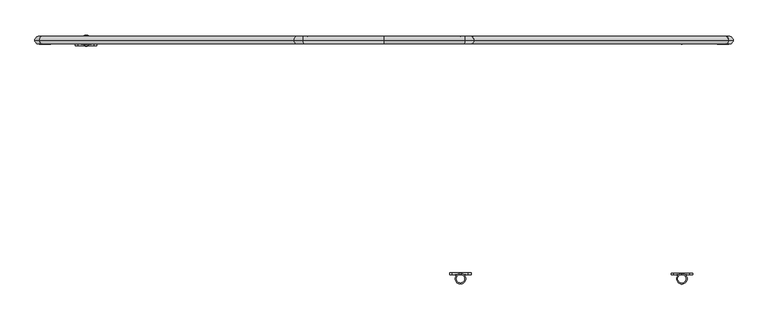
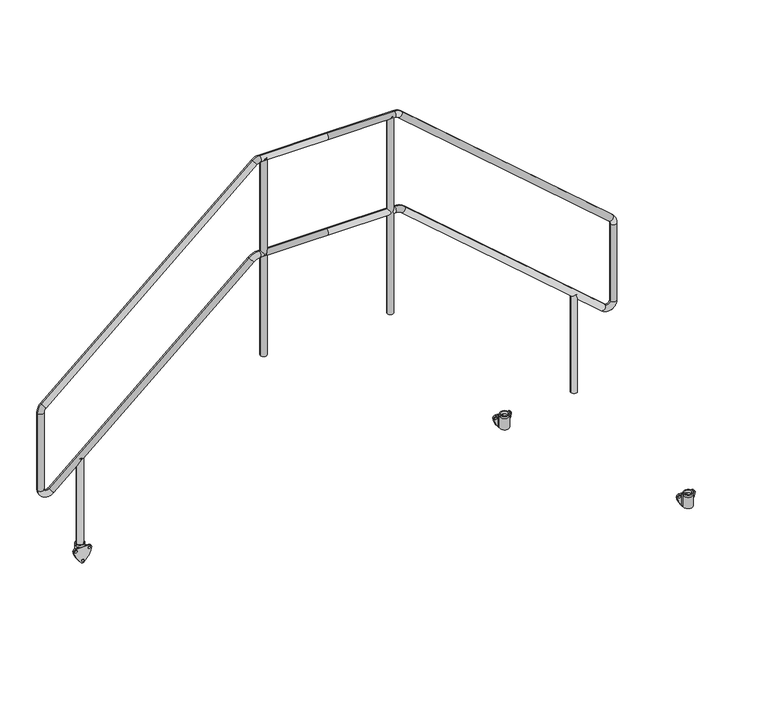
"""IFC4 building model written with IfcOpenShell, lengths in millimetres: beam geometry."""

from ifc_helpers import new_model, si_unit, point, frame, frame_2d, origin, place, context, project, spatial, polyline, circle_curve, ellipse_curve, trimmed, segment, composite_curve, outline, extrude, source, transform, mapped, element, save
from ifc_brep_helpers import plane_surface, cylinder_surface, revolved_surface, advanced_brep


def beam_a0f8f7f3(model_context):
    return source(origin(), model_context, "Body", "SolidModel", [
        advanced_brep(
        [(-1348.5, 530.5, 318.5021879), (-1301.5, 530.5, 318.5021879), (-1342.5, 530.5, 318.5021879), (-1307.5, 530.5, 318.5021879), (-1340.6843871, 513.0, 306.5021879), (-1325.0, 513.0, 306.5021879), (-1309.3156129, 513.0, 306.5021879), (-1307.5, 530.5, 306.5021879), (-1320.7257904, 513.5299932, 306.5021879), (-1325.0, 513.0, 306.5021879), (-1329.2742096, 513.5299932, 306.5021879), (-1342.5, 530.5, 306.5021879), (-1301.5, 530.5, 306.5021879), (-1348.5, 530.5, 306.5021879), (-1344.9275065, 518.0442991, 306.5021879), (-1305.0724935, 518.0442991, 306.5021879), (-1302.160166, 513.0, 306.5021879), (-1347.839834, 513.0, 306.5021879), (-1305.0724935, 518.0442991, 242.5021879), (-1302.160166, 513.0, 242.5021879), (-1347.839834, 513.0, 242.5021879), (-1344.9275065, 518.0442991, 242.5021879), (-1320.7257904, 513.5299932, 242.5021879), (-1329.2742096, 513.5299932, 242.5021879)],
        [
            (0, 1, circle_curve(frame((-1325.0, 530.5, 318.5021879), z_axis=(0.0, 0.0, 1.0), x_axis=(1.0, 0.0, 0.0)), 23.5)),
            (1, 0, circle_curve(frame((-1325.0, 530.5, 318.5021879), z_axis=(0.0, 0.0, 1.0), x_axis=(1.0, 0.0, 0.0)), 23.5)),
            (2, 3, circle_curve(frame((-1325.0, 530.5, 318.5021879), z_axis=(0.0, 0.0, -1.0), x_axis=(1.0, 0.0, 0.0)), 17.5)),
            (3, 2, circle_curve(frame((-1325.0, 530.5, 318.5021879), z_axis=(0.0, 0.0, -1.0), x_axis=(1.0, 0.0, 0.0)), 17.5)),
            (4, 5),
            (5, 6),
            (6, 4, circle_curve(frame((-1325.0, 530.5, 306.5021879), z_axis=(0.0, 0.0, -1.0), x_axis=(1.0, 0.0, 0.0)), 23.5)),
            (3, 7),
            (7, 8, circle_curve(frame((-1325.0, 530.5, 306.5021879), z_axis=(0.0, 0.0, -1.0), x_axis=(1.0, 0.0, 0.0)), 17.5)),
            (8, 9, circle_curve(frame((-1325.0, 530.5, 306.5021879), z_axis=(0.0, 0.0, -1.0), x_axis=(1.0, 0.0, 0.0)), 17.5)),
            (9, 10, circle_curve(frame((-1325.0, 530.5, 306.5021879), z_axis=(0.0, 0.0, -1.0), x_axis=(1.0, 0.0, 0.0)), 17.5)),
            (10, 11, circle_curve(frame((-1325.0, 530.5, 306.5021879), z_axis=(0.0, 0.0, -1.0), x_axis=(1.0, 0.0, 0.0)), 17.5)),
            (11, 2),
            (11, 7, circle_curve(frame((-1325.0, 530.5, 306.5021879), z_axis=(0.0, 0.0, -1.0), x_axis=(1.0, 0.0, 0.0)), 17.5)),
            (1, 12),
            (12, 13, circle_curve(frame((-1325.0, 530.5, 306.5021879), z_axis=(0.0, 0.0, 1.0), x_axis=(1.0, 0.0, 0.0)), 23.5)),
            (13, 0),
            (13, 14, circle_curve(frame((-1325.0, 530.5, 306.5021879), z_axis=(0.0, 0.0, 1.0), x_axis=(1.0, 0.0, 0.0)), 23.5)),
            (14, 4, circle_curve(frame((-1325.0, 530.5, 306.5021879), z_axis=(0.0, 0.0, 1.0), x_axis=(1.0, 0.0, 0.0)), 23.5)),
            (6, 15, circle_curve(frame((-1325.0, 530.5, 306.5021879), z_axis=(0.0, 0.0, 1.0), x_axis=(1.0, 0.0, 0.0)), 23.5)),
            (15, 12, circle_curve(frame((-1325.0, 530.5, 306.5021879), z_axis=(0.0, 0.0, 1.0), x_axis=(1.0, 0.0, 0.0)), 23.5)),
            (8, 10),
            (6, 16),
            (16, 15, circle_curve(frame((-1302.1711253, 516.3565387, 306.5021879), z_axis=(0.0, 0.0, -1.0), x_axis=(-1.0, 0.0, 0.0)), 3.3565566)),
            (17, 4),
            (14, 17, circle_curve(frame((-1347.8288747, 516.3565387, 306.5021879), z_axis=(0.0, 0.0, -1.0), x_axis=(1.0, 0.0, 0.0)), 3.3565566)),
            (18, 19, circle_curve(frame((-1302.1711253, 516.3565387, 242.5021879), z_axis=(0.0, 0.0, 1.0), x_axis=(-1.0, 0.0, 0.0)), 3.3565566)),
            (19, 20),
            (20, 21, circle_curve(frame((-1347.8288747, 516.3565387, 242.5021879), z_axis=(0.0, 0.0, 1.0), x_axis=(1.0, 0.0, 0.0)), 3.3565566)),
            (21, 18, circle_curve(frame((-1325.0, 530.5, 242.5021879), z_axis=(0.0, 0.0, -1.0), x_axis=(1.0, 0.0, 0.0)), 23.5)),
            (22, 23, circle_curve(frame((-1325.0, 530.5, 242.5021879), z_axis=(0.0, 0.0, 1.0), x_axis=(1.0, 0.0, 0.0)), 17.5)),
            (23, 22),
            (22, 8),
            (10, 23),
            (16, 19),
            (18, 15),
            (17, 20),
            (14, 21),
        ],
        [
            plane_surface(frame((-1307.5, 530.5, 318.5021879), z_axis=(0.0, 0.0, 1.0), x_axis=(0.0, 1.0, 0.0))),
            plane_surface(frame((-1307.5, 530.5, 306.5021879), z_axis=(0.0, 0.0, -1.0), x_axis=(0.0, -1.0, 0.0))),
            revolved_surface(polyline([(-1307.5, 530.5, 306.5021879), (-1307.5, 530.5, 318.5021879)]), (-1325.0, 530.5, 306.5021879), (0.0, 0.0, -1.0)),
            cylinder_surface(frame((-1325.0, 530.5, 306.5021879), z_axis=(0.0, 0.0, 1.0), x_axis=(1.0, 0.0, 0.0)), 23.5),
            plane_surface(frame((-1307.5, 530.5, 306.5021879), z_axis=(0.0, 0.0, 1.0), x_axis=(0.0, 1.0, 0.0))),
            plane_surface(frame((-1307.5, 530.5, 242.5021879), z_axis=(0.0, 0.0, -1.0), x_axis=(0.0, -1.0, 0.0))),
            revolved_surface(polyline([(-1307.5, 530.5, 242.5021879), (-1307.5, 530.5, 306.5021879)]), (-1325.0, 530.5, 242.5021879), (0.0, 0.0, -1.0)),
            plane_surface(frame((-1329.2742096, 513.5299932, 306.5021879), z_axis=(0.0, 1.0, 0.0), x_axis=(0.0, 0.0, -1.0))),
            revolved_surface(polyline([(-1305.5276819, 516.3565387, 242.5021879), (-1305.5276819, 516.3565387, 306.5021879)]), (-1302.1711253, 516.3565387, 242.5021879), (0.0, 0.0, -1.0)),
            plane_surface(frame((-1302.160166, 513.0, 306.5021879), z_axis=(0.0, -1.0, 0.0), x_axis=(0.0, 0.0, -1.0))),
            revolved_surface(polyline([(-1344.4723181, 516.3565387, 242.5021879), (-1344.4723181, 516.3565387, 306.5021879)]), (-1347.8288747, 516.3565387, 242.5021879), (0.0, 0.0, -1.0)),
            cylinder_surface(frame((-1325.0, 530.5, 242.5021879), z_axis=(0.0, 0.0, 1.0), x_axis=(1.0, 0.0, 0.0)), 23.5),
        ],
        [
            (0, [[1, 2], [3, 4]]),
            (1, [[5, 6, 7]]),
            (2, [[8, 9, 10, 11, 12, 13, -4]]),
            (2, [[-13, 14, -8, -3]]),
            (3, [[15, 16, 17, -2]]),
            (3, [[-17, 18, 19, -7, 20, 21, -15, -1]]),
            (4, [[-11, -10, 22]]),
            (4, [[-20, 23, 24]]),
            (4, [[25, -19, 26]]),
            (5, [[27, 28, 29, 30], [31, 32]]),
            (6, [[33, -9, -14, -12, 34, -31]]),
            (7, [[-33, -32, -34, -22]]),
            (8, [[35, -27, 36, -24]]),
            (9, [[-35, -23, -6, -5, -25, 37, -28]]),
            (10, [[38, -29, -37, -26]]),
            (11, [[-38, -18, -16, -21, -36, -30]]),
        ],
    ),
        extrude(outline(composite_curve([segment(trimmed(circle_curve(frame_2d((312.1021879, -1255.6)), 118.3), [point((293.8380046, -1372.4816051))], [point((221.6269174, -1331.8175533))], False, "CARTESIAN"), True, "CONTINUOUS"), segment(trimmed(circle_curve(frame_2d((231.5021879, -1325.0)), 12.0), [point((221.6269174, -1331.8175533))], [point((223.2936993, -1316.246674))], False, "CARTESIAN"), True, "CONTINUOUS"), segment(trimmed(circle_curve(frame_2d((312.1021879, -1394.4)), 118.3), [point((223.2936993, -1316.246674))], [point((293.8380046, -1277.5183949))], False, "CARTESIAN"), True, "CONTINUOUS"), segment(trimmed(circle_curve(frame_2d((294.5021879, -1289.5)), 12.0), [point((293.8380046, -1277.5183949))], [point((306.5021879, -1289.5))], False, "CARTESIAN"), True, "CONTINUOUS"), segment(polyline([(306.5021879, -1289.5), (306.5021879, -1360.5)]), True, "CONTINUOUS"), segment(trimmed(circle_curve(frame_2d((294.5021879, -1360.5)), 12.0), [point((306.5021879, -1360.5))], [point((293.8380046, -1372.4816051))], False, "CARTESIAN"), True, "CONTINUOUS")], self_intersect=False), holes=[composite_curve([segment(trimmed(circle_curve(frame_2d((231.5021879, -1325.0)), 6.0), [point((231.5021879, -1331.0))], [point((231.5021879, -1319.0))], True, "CARTESIAN"), True, "CONTINUOUS"), segment(trimmed(circle_curve(frame_2d((231.5021879, -1325.0)), 6.0), [point((231.5021879, -1319.0))], [point((231.5021879, -1331.0))], True, "CARTESIAN"), True, "CONTINUOUS")], self_intersect=False), composite_curve([segment(trimmed(circle_curve(frame_2d((294.5021879, -1360.5)), 6.0), [point((294.5021879, -1366.5))], [point((294.5021879, -1354.5))], True, "CARTESIAN"), True, "CONTINUOUS"), segment(trimmed(circle_curve(frame_2d((294.5021879, -1360.5)), 6.0), [point((294.5021879, -1354.5))], [point((294.5021879, -1366.5))], True, "CARTESIAN"), True, "CONTINUOUS")], self_intersect=False), composite_curve([segment(trimmed(circle_curve(frame_2d((294.5021879, -1289.5)), 6.0), [point((294.5021879, -1283.5))], [point((294.5021879, -1295.5))], True, "CARTESIAN"), True, "CONTINUOUS"), segment(trimmed(circle_curve(frame_2d((294.5021879, -1289.5)), 6.0), [point((294.5021879, -1295.5))], [point((294.5021879, -1283.5))], True, "CARTESIAN"), True, "CONTINUOUS")], self_intersect=False)]), frame((0.0, 505.0, 0.0), z_axis=(0.0, 1.0, 0.0), x_axis=(0.0, 0.0, 1.0)), (0.0, 0.0, 1.0), 8.0),
        extrude(outline(composite_curve([segment(trimmed(circle_curve(frame_2d((-1325.0, 530.5)), 16.8), [point((-1341.8, 530.5))], [point((-1308.2, 530.5))], False, "CARTESIAN"), True, "CONTINUOUS"), segment(trimmed(circle_curve(frame_2d((-1325.0, 530.5)), 16.8), [point((-1308.2, 530.5))], [point((-1341.8, 530.5))], False, "CARTESIAN"), True, "CONTINUOUS")], self_intersect=False)), frame((0.0, 0.0, 248.5021879), z_axis=(0.0, 0.0, 1.0), x_axis=(1.0, 0.0, 0.0)), (0.0, 0.0, 1.0), 557.0),
        extrude(outline(composite_curve([segment(trimmed(circle_curve(frame_2d((1325.0, 530.5)), 16.8), [point((1341.8, 530.5))], [point((1308.2, 530.5))], False, "CARTESIAN"), True, "CONTINUOUS"), segment(trimmed(circle_curve(frame_2d((1325.0, 530.5)), 16.8), [point((1308.2, 530.5))], [point((1341.8, 530.5))], False, "CARTESIAN"), True, "CONTINUOUS")], self_intersect=False)), frame((0.0, 0.0, 248.5021879), z_axis=(0.0, 0.0, 1.0), x_axis=(1.0, 0.0, 0.0)), (0.0, 0.0, 1.0), 557.0),
        extrude(outline(composite_curve([segment(trimmed(circle_curve(frame_2d((-340.0, 530.5)), 16.8), [point((-356.8, 530.5))], [point((-323.2, 530.5))], False, "CARTESIAN"), True, "CONTINUOUS"), segment(trimmed(circle_curve(frame_2d((-340.0, 530.5)), 16.8), [point((-323.2, 530.5))], [point((-356.8, 530.5))], False, "CARTESIAN"), True, "CONTINUOUS")], self_intersect=False)), frame((0.0, 0.0, 1040.5021879), z_axis=(0.0, 0.0, 1.0), x_axis=(1.0, 0.0, 0.0)), (0.0, 0.0, 1.0), 1120.0),
        extrude(outline(composite_curve([segment(trimmed(circle_curve(frame_2d((340.0, 530.5)), 16.8), [point((356.8, 530.5))], [point((323.2, 530.5))], False, "CARTESIAN"), True, "CONTINUOUS"), segment(trimmed(circle_curve(frame_2d((340.0, 530.5)), 16.8), [point((323.2, 530.5))], [point((356.8, 530.5))], False, "CARTESIAN"), True, "CONTINUOUS")], self_intersect=False)), frame((0.0, 0.0, 1040.5021879), z_axis=(0.0, 0.0, 1.0), x_axis=(1.0, 0.0, 0.0)), (0.0, 0.0, 1.0), 1120.0),
        advanced_brep(
        [(0.0, 530.5, 2143.9021879), (0.0, 530.5, 2177.5021879), (360.0669192, 530.5, 2177.5021879), (360.0669192, 530.5, 2143.9021879), (399.430461, 530.5, 2162.7847627), (377.3868776, 530.5, 2137.4265208), (1532.3635417, 530.5, 1177.9410607), (1510.3199584, 530.5, 1152.5828188), (1553.0, 530.5, 1132.6584859), (1519.4, 530.5, 1132.6584859), (1553.0, 530.5, 694.6614087), (1519.4, 530.5, 694.6614087), (1470.1970486, 530.5, 656.9259297), (1492.2406319, 530.5, 682.2841716), (396.6087175, 530.5, 1590.1820278), (418.6523008, 530.5, 1615.5402697), (363.805766, 530.5, 1602.4465487), (363.805766, 530.5, 1636.0465487), (0.0, 530.5, 1602.4465487), (0.0, 530.5, 1636.0465487), (-360.0669192, 530.5, 2143.9021879), (-360.0669192, 530.5, 2177.5021879), (-377.3868776, 530.5, 2137.4265208), (-399.430461, 530.5, 2162.7847627), (-1510.3199584, 530.5, 1152.5828188), (-1532.3635417, 530.5, 1177.9410607), (-1519.4, 530.5, 1132.6584859), (-1553.0, 530.5, 1132.6584859), (-1519.4, 530.5, 694.6614087), (-1553.0, 530.5, 694.6614087), (-1492.2406319, 530.5, 682.2841716), (-1470.1970486, 530.5, 656.9259297), (-418.6523008, 530.5, 1615.5402697), (-396.6087175, 530.5, 1590.1820278), (-363.805766, 530.5, 1636.0465487), (-363.805766, 530.5, 1602.4465487)],
        [
            (0, 1, circle_curve(frame((0.0, 530.5, 2160.7021879), z_axis=(1.0, 0.0, 0.0), x_axis=(0.0, 0.0, -1.0)), 16.8)),
            (1, 2),
            (2, 3, circle_curve(frame((360.0669192, 530.5, 2160.7021879), z_axis=(-1.0, 0.0, 0.0), x_axis=(0.0, 0.0, -1.0)), 16.8)),
            (3, 0),
            (3, 2, circle_curve(frame((360.0669192, 530.5, 2160.7021879), z_axis=(-1.0, 0.0, 0.0), x_axis=(0.0, 0.0, -1.0)), 16.8)),
            (1, 0, circle_curve(frame((0.0, 530.5, 2160.7021879), z_axis=(1.0, 0.0, 0.0), x_axis=(0.0, 0.0, -1.0)), 16.8)),
            (2, 4, circle_curve(frame((360.0669192, 530.5, 2117.5021879), z_axis=(0.0, 1.0, 0.0), x_axis=(0.0, 0.0, 1.0)), 60.0)),
            (4, 5, circle_curve(frame((388.4086693, 530.5, 2150.1056417), z_axis=(-0.7547095802227741, 0.0, 0.6560590289905048), x_axis=(-0.6560590289905048, 0.0, -0.7547095802227741)), 16.8)),
            (5, 3, circle_curve(frame((360.0669192, 530.5, 2117.5021879), z_axis=(0.0, -1.0, 0.0), x_axis=(0.0, 0.0, 1.0)), 26.4)),
            (5, 4, circle_curve(frame((388.4086693, 530.5, 2150.1056417), z_axis=(-0.754709580222774, 0.0, 0.6560590289905049), x_axis=(-0.6560590289905049, 0.0, -0.754709580222774)), 16.8)),
            (4, 6),
            (6, 7, circle_curve(frame((1521.3417501, 530.5, 1165.2619398), z_axis=(-0.7547095802227749, 0.0, 0.6560590289905042), x_axis=(-0.6560590289905041, 0.0, -0.7547095802227747)), 16.8)),
            (7, 5),
            (7, 6, circle_curve(frame((1521.3417501, 530.5, 1165.2619398), z_axis=(-0.7547095802227749, 0.0, 0.6560590289905042), x_axis=(-0.6560590289905041, 0.0, -0.7547095802227747)), 16.8)),
            (6, 8, circle_curve(frame((1493.0, 530.5, 1132.6584859), z_axis=(0.0, 1.0, 0.0), x_axis=(0.6560590289905028, 0.0, 0.7547095802227759)), 60.0)),
            (8, 9, circle_curve(frame((1536.2, 530.5, 1132.6584859), z_axis=(0.0, 0.0, 1.0), x_axis=(-1.0, 0.0, 0.0)), 16.8)),
            (9, 7, circle_curve(frame((1493.0, 530.5, 1132.6584859), z_axis=(0.0, -1.0, 0.0), x_axis=(0.6560590289905028, 0.0, 0.7547095802227759)), 26.4)),
            (9, 8, circle_curve(frame((1536.2, 530.5, 1132.6584859), z_axis=(0.0, 0.0, 0.9999999999999999), x_axis=(-0.9999999999999999, 0.0, 0.0)), 16.8)),
            (8, 10),
            (10, 11, circle_curve(frame((1536.2, 530.5, 694.6614087), z_axis=(0.0, 0.0, 1.0), x_axis=(-1.0, 0.0, 0.0)), 16.8)),
            (11, 9),
            (11, 10, circle_curve(frame((1536.2, 530.5, 694.6614087), z_axis=(0.0, 0.0, 1.0), x_axis=(-1.0, 0.0, 0.0)), 16.8)),
            (10, 12, circle_curve(frame((1503.0, 530.5, 694.6614087), z_axis=(0.0, 1.0, 0.0), x_axis=(1.0, 0.0, 0.0)), 50.0)),
            (12, 13, circle_curve(frame((1481.2188402, 530.5, 669.6050506), z_axis=(0.7547095802227756, 0.0, -0.6560590289905032), x_axis=(0.6560590289905032, 0.0, 0.7547095802227756)), 16.8)),
            (13, 11, circle_curve(frame((1503.0, 530.5, 694.6614087), z_axis=(0.0, -1.0, 0.0), x_axis=(1.0, 0.0, 0.0)), 16.4)),
            (13, 12, circle_curve(frame((1481.2188402, 530.5, 669.6050506), z_axis=(0.7547095802227697, 0.0, -0.6560590289905098), x_axis=(0.6560590289905098, 0.0, 0.7547095802227697)), 16.8)),
            (12, 14),
            (14, 15, circle_curve(frame((407.6305092, 530.5, 1602.8611487), z_axis=(0.7547095802227749, 0.0, -0.6560590289905041), x_axis=(0.6560590289905041, 0.0, 0.7547095802227749)), 16.8)),
            (15, 13),
            (15, 14, circle_curve(frame((407.6305092, 530.5, 1602.8611487), z_axis=(0.7547095802227749, 0.0, -0.6560590289905041), x_axis=(0.6560590289905041, 0.0, 0.7547095802227749)), 16.8)),
            (14, 16, circle_curve(frame((363.805766, 530.5, 1552.4465487), z_axis=(0.0, -1.0, 0.0), x_axis=(0.6560590289905083, 0.0, 0.754709580222771)), 50.0)),
            (16, 17, circle_curve(frame((363.805766, 530.5, 1619.2465487), z_axis=(1.0, 0.0, 0.0), x_axis=(0.0, 0.0, 1.0)), 16.8)),
            (17, 15, circle_curve(frame((363.805766, 530.5, 1552.4465487), z_axis=(0.0, 1.0, 0.0), x_axis=(0.6560590289905083, 0.0, 0.754709580222771)), 83.6)),
            (17, 16, circle_curve(frame((363.805766, 530.5, 1619.2465487), z_axis=(0.9999999999999999, 0.0, 0.0), x_axis=(0.0, 0.0, 0.9999999999999999)), 16.8)),
            (16, 18),
            (18, 19, circle_curve(frame((0.0, 530.5, 1619.2465487), z_axis=(1.0, 0.0, 0.0), x_axis=(0.0, 0.0, 1.0)), 16.8)),
            (19, 17),
            (19, 18, circle_curve(frame((0.0, 530.5, 1619.2465487), z_axis=(1.0, 0.0, 0.0), x_axis=(0.0, 0.0, 1.0)), 16.8)),
            (0, 20),
            (20, 21, circle_curve(frame((-360.0669192, 530.5, 2160.7021879), z_axis=(1.0, 0.0, 0.0), x_axis=(0.0, 0.0, -1.0)), 16.8)),
            (21, 1),
            (21, 20, circle_curve(frame((-360.0669192, 530.5, 2160.7021879), z_axis=(1.0, 0.0, 0.0), x_axis=(0.0, 0.0, -1.0)), 16.8)),
            (20, 22, circle_curve(frame((-360.0669192, 530.5, 2117.5021879), z_axis=(0.0, -1.0, 0.0), x_axis=(0.0, 0.0, 1.0)), 26.4)),
            (22, 23, circle_curve(frame((-388.4086693, 530.5, 2150.1056417), z_axis=(0.7547095802227722, 0.0, 0.656059028990507), x_axis=(0.656059028990507, 0.0, -0.7547095802227722)), 16.8)),
            (23, 21, circle_curve(frame((-360.0669192, 530.5, 2117.5021879), z_axis=(0.0, 1.0, 0.0), x_axis=(0.0, 0.0, 1.0)), 60.0)),
            (23, 22, circle_curve(frame((-388.4086693, 530.5, 2150.1056417), z_axis=(0.7547095802227739, 0.0, 0.6560590289905052), x_axis=(0.6560590289905052, 0.0, -0.7547095802227739)), 16.8)),
            (22, 24),
            (24, 25, circle_curve(frame((-1521.3417501, 530.5, 1165.2619398), z_axis=(0.7547095802227749, 0.0, 0.6560590289905042), x_axis=(0.6560590289905041, 0.0, -0.7547095802227747)), 16.8)),
            (25, 23),
            (25, 24, circle_curve(frame((-1521.3417501, 530.5, 1165.2619398), z_axis=(0.7547095802227749, 0.0, 0.6560590289905042), x_axis=(0.6560590289905041, 0.0, -0.7547095802227747)), 16.8)),
            (24, 26, circle_curve(frame((-1493.0, 530.5, 1132.6584859), z_axis=(0.0, -1.0, 0.0), x_axis=(-0.6560590289905062, 0.0, 0.754709580222773)), 26.4)),
            (26, 27, circle_curve(frame((-1536.2, 530.5, 1132.6584859), z_axis=(0.0, 0.0, 1.0), x_axis=(1.0, 0.0, 0.0)), 16.8)),
            (27, 25, circle_curve(frame((-1493.0, 530.5, 1132.6584859), z_axis=(0.0, 1.0, 0.0), x_axis=(-0.6560590289905062, 0.0, 0.754709580222773)), 60.0)),
            (27, 26, circle_curve(frame((-1536.2, 530.5, 1132.6584859), z_axis=(0.0, 0.0, 1.0), x_axis=(1.0, 0.0, 0.0)), 16.8)),
            (26, 28),
            (28, 29, circle_curve(frame((-1536.2, 530.5, 694.6614087), z_axis=(0.0, 0.0, 1.0), x_axis=(1.0, 0.0, 0.0)), 16.8)),
            (29, 27),
            (29, 28, circle_curve(frame((-1536.2, 530.5, 694.6614087), z_axis=(0.0, 0.0, 1.0), x_axis=(1.0, 0.0, 0.0)), 16.8)),
            (28, 30, circle_curve(frame((-1503.0, 530.5, 694.6614087), z_axis=(0.0, -1.0, 0.0), x_axis=(-1.0, 0.0, 0.0)), 16.4)),
            (30, 31, circle_curve(frame((-1481.2188402, 530.5, 669.6050506), z_axis=(-0.75470958022277, 0.0, -0.6560590289905096), x_axis=(-0.6560590289905096, 0.0, 0.75470958022277)), 16.8)),
            (31, 29, circle_curve(frame((-1503.0, 530.5, 694.6614087), z_axis=(0.0, 1.0, 0.0), x_axis=(-1.0, 0.0, 0.0)), 50.0)),
            (31, 30, circle_curve(frame((-1481.2188402, 530.5, 669.6050506), z_axis=(-0.7547095802227718, 0.0, -0.6560590289905076), x_axis=(-0.6560590289905076, 0.0, 0.7547095802227718)), 16.8)),
            (30, 32),
            (32, 33, circle_curve(frame((-407.6305092, 530.5, 1602.8611487), z_axis=(-0.7547095802227748, 0.0, -0.6560590289905042), x_axis=(-0.6560590289905042, 0.0, 0.7547095802227748)), 16.8)),
            (33, 31),
            (33, 32, circle_curve(frame((-407.6305092, 530.5, 1602.8611487), z_axis=(-0.7547095802227748, 0.0, -0.6560590289905042), x_axis=(-0.6560590289905042, 0.0, 0.7547095802227748)), 16.8)),
            (32, 34, circle_curve(frame((-363.805766, 530.5, 1552.4465487), z_axis=(0.0, 1.0, 0.0), x_axis=(-0.6560590289905083, 0.0, 0.754709580222771)), 83.6)),
            (34, 35, circle_curve(frame((-363.805766, 530.5, 1619.2465487), z_axis=(-0.9999999999999999, 0.0, 0.0), x_axis=(0.0, 0.0, 0.9999999999999999)), 16.8)),
            (35, 33, circle_curve(frame((-363.805766, 530.5, 1552.4465487), z_axis=(0.0, -1.0, 0.0), x_axis=(-0.6560590289905083, 0.0, 0.754709580222771)), 50.0)),
            (35, 34, circle_curve(frame((-363.805766, 530.5, 1619.2465487), z_axis=(-0.9999999999999999, 0.0, 0.0), x_axis=(0.0, 0.0, 0.9999999999999999)), 16.8)),
            (34, 19),
            (18, 35),
        ],
        [
            cylinder_surface(frame((0.0, 530.5, 2160.7021879), z_axis=(-1.0, 0.0, 0.0), x_axis=(0.0, 0.0, -1.0)), 16.8),
            revolved_surface(trimmed(ellipse_curve(frame((360.0669192, 530.5, 2160.7021879), z_axis=(1.0, 0.0, 0.0), x_axis=(0.0, 0.0, -1.0)), 16.8, 16.8), [point((360.0669192, 530.5, 2143.9021879))], [point((360.0669192, 530.5, 2177.5021879))], True, "CARTESIAN"), (360.0669192, 530.5, 2117.5021879), (0.0, -1.0, 0.0)),
            revolved_surface(trimmed(ellipse_curve(frame((360.0669192, 530.5, 2160.7021879), z_axis=(1.0, 0.0, 0.0), x_axis=(0.0, 0.0, -1.0)), 16.8, 16.8), [point((360.0669192, 530.5, 2177.5021879))], [point((360.0669192, 530.5, 2143.9021879))], True, "CARTESIAN"), (360.0669192, 530.5, 2117.5021879), (0.0, -1.0, 0.0)),
            cylinder_surface(frame((388.4086693, 530.5, 2150.1056417), z_axis=(-0.7547095802227747, 0.0, 0.6560590289905041), x_axis=(-0.6560590289905041, 0.0, -0.7547095802227747)), 16.8),
            revolved_surface(trimmed(ellipse_curve(frame((1521.3417501, 530.5, 1165.2619398), z_axis=(0.7547095802227761, 0.0, -0.6560590289905026), x_axis=(-0.6560590289905026, 0.0, -0.7547095802227761)), 16.8, 16.8), [point((1510.3199584, 530.5, 1152.5828188))], [point((1532.3635417, 530.5, 1177.9410607))], True, "CARTESIAN"), (1493.0, 530.5, 1132.6584859), (0.0, -1.0, 0.0)),
            revolved_surface(trimmed(ellipse_curve(frame((1521.3417501, 530.5, 1165.2619398), z_axis=(0.7547095802227761, 0.0, -0.6560590289905026), x_axis=(-0.6560590289905026, 0.0, -0.7547095802227761)), 16.8, 16.8), [point((1532.3635417, 530.5, 1177.9410607))], [point((1510.3199584, 530.5, 1152.5828188))], True, "CARTESIAN"), (1493.0, 530.5, 1132.6584859), (0.0, -1.0, 0.0)),
            cylinder_surface(frame((1536.2, 530.5, 1132.6584859), z_axis=(0.0, 0.0, 1.0), x_axis=(-1.0, 0.0, 0.0)), 16.8),
            revolved_surface(trimmed(ellipse_curve(frame((1536.2, 530.5, 694.6614087), z_axis=(0.0, 0.0, -1.0), x_axis=(-1.0, 0.0, 0.0)), 16.8, 16.8), [point((1519.4, 530.5, 694.6614087))], [point((1553.0, 530.5, 694.6614087))], True, "CARTESIAN"), (1503.0, 530.5, 694.6614087), (0.0, -1.0, 0.0)),
            revolved_surface(trimmed(ellipse_curve(frame((1536.2, 530.5, 694.6614087), z_axis=(0.0, 0.0, -1.0), x_axis=(-1.0, 0.0, 0.0)), 16.8, 16.8), [point((1553.0, 530.5, 694.6614087))], [point((1519.4, 530.5, 694.6614087))], True, "CARTESIAN"), (1503.0, 530.5, 694.6614087), (0.0, -1.0, 0.0)),
            cylinder_surface(frame((1481.2188402, 530.5, 669.6050506), z_axis=(0.7547095802227749, 0.0, -0.6560590289905041), x_axis=(0.6560590289905041, 0.0, 0.7547095802227749)), 16.8),
            revolved_surface(trimmed(ellipse_curve(frame((407.6305092, 530.5, 1602.8611487), z_axis=(-0.7547095802227712, 0.0, 0.656059028990508), x_axis=(0.656059028990508, 0.0, 0.7547095802227712)), 16.8, 16.8), [point((418.6523008, 530.5, 1615.5402697))], [point((396.6087175, 530.5, 1590.1820278))], True, "CARTESIAN"), (363.805766, 530.5, 1552.4465487), (0.0, 1.0, 0.0)),
            revolved_surface(trimmed(ellipse_curve(frame((407.6305092, 530.5, 1602.8611487), z_axis=(-0.7547095802227712, 0.0, 0.656059028990508), x_axis=(0.656059028990508, 0.0, 0.7547095802227712)), 16.8, 16.8), [point((396.6087175, 530.5, 1590.1820278))], [point((418.6523008, 530.5, 1615.5402697))], True, "CARTESIAN"), (363.805766, 530.5, 1552.4465487), (0.0, 1.0, 0.0)),
            cylinder_surface(frame((363.805766, 530.5, 1619.2465487), z_axis=(1.0, 0.0, 0.0), x_axis=(0.0, 0.0, 1.0)), 16.8),
            cylinder_surface(frame((0.0, 530.5, 2160.7021879), z_axis=(1.0, 0.0, 0.0), x_axis=(0.0, 0.0, -1.0)), 16.8),
            revolved_surface(trimmed(ellipse_curve(frame((-360.0669192, 530.5, 2160.7021879), z_axis=(-1.0, 0.0, 0.0), x_axis=(0.0, 0.0, -1.0)), 16.8, 16.8), [point((-360.0669192, 530.5, 2177.5021879))], [point((-360.0669192, 530.5, 2143.9021879))], True, "CARTESIAN"), (-360.0669192, 530.5, 2117.5021879), (0.0, 1.0, 0.0)),
            revolved_surface(trimmed(ellipse_curve(frame((-360.0669192, 530.5, 2160.7021879), z_axis=(-1.0, 0.0, 0.0), x_axis=(0.0, 0.0, -1.0)), 16.8, 16.8), [point((-360.0669192, 530.5, 2143.9021879))], [point((-360.0669192, 530.5, 2177.5021879))], True, "CARTESIAN"), (-360.0669192, 530.5, 2117.5021879), (0.0, 1.0, 0.0)),
            cylinder_surface(frame((-388.4086693, 530.5, 2150.1056417), z_axis=(0.7547095802227747, 0.0, 0.6560590289905041), x_axis=(0.6560590289905041, 0.0, -0.7547095802227747)), 16.8),
            revolved_surface(trimmed(ellipse_curve(frame((-1521.3417501, 530.5, 1165.2619398), z_axis=(-0.7547095802227731, 0.0, -0.656059028990506), x_axis=(0.656059028990506, 0.0, -0.7547095802227731)), 16.8, 16.8), [point((-1532.3635417, 530.5, 1177.9410607))], [point((-1510.3199584, 530.5, 1152.5828188))], True, "CARTESIAN"), (-1493.0, 530.5, 1132.6584859), (0.0, 1.0, 0.0)),
            revolved_surface(trimmed(ellipse_curve(frame((-1521.3417501, 530.5, 1165.2619398), z_axis=(-0.7547095802227731, 0.0, -0.656059028990506), x_axis=(0.656059028990506, 0.0, -0.7547095802227731)), 16.8, 16.8), [point((-1510.3199584, 530.5, 1152.5828188))], [point((-1532.3635417, 530.5, 1177.9410607))], True, "CARTESIAN"), (-1493.0, 530.5, 1132.6584859), (0.0, 1.0, 0.0)),
            cylinder_surface(frame((-1536.2, 530.5, 1132.6584859), z_axis=(0.0, 0.0, 1.0), x_axis=(1.0, 0.0, 0.0)), 16.8),
            revolved_surface(trimmed(ellipse_curve(frame((-1536.2, 530.5, 694.6614087), z_axis=(0.0, 0.0, -1.0), x_axis=(1.0, 0.0, 0.0)), 16.8, 16.8), [point((-1553.0, 530.5, 694.6614087))], [point((-1519.4, 530.5, 694.6614087))], True, "CARTESIAN"), (-1503.0, 530.5, 694.6614087), (0.0, 1.0, 0.0)),
            revolved_surface(trimmed(ellipse_curve(frame((-1536.2, 530.5, 694.6614087), z_axis=(0.0, 0.0, -1.0), x_axis=(1.0, 0.0, 0.0)), 16.8, 16.8), [point((-1519.4, 530.5, 694.6614087))], [point((-1553.0, 530.5, 694.6614087))], True, "CARTESIAN"), (-1503.0, 530.5, 694.6614087), (0.0, 1.0, 0.0)),
            cylinder_surface(frame((-1481.2188402, 530.5, 669.6050506), z_axis=(-0.7547095802227748, 0.0, -0.6560590289905042), x_axis=(-0.6560590289905042, 0.0, 0.7547095802227748)), 16.8),
            revolved_surface(trimmed(ellipse_curve(frame((-407.6305092, 530.5, 1602.8611487), z_axis=(0.7547095802227711, 0.0, 0.6560590289905082), x_axis=(-0.6560590289905082, 0.0, 0.7547095802227711)), 16.8, 16.8), [point((-396.6087175, 530.5, 1590.1820278))], [point((-418.6523008, 530.5, 1615.5402697))], True, "CARTESIAN"), (-363.805766, 530.5, 1552.4465487), (0.0, -1.0, 0.0)),
            revolved_surface(trimmed(ellipse_curve(frame((-407.6305092, 530.5, 1602.8611487), z_axis=(0.7547095802227711, 0.0, 0.6560590289905082), x_axis=(-0.6560590289905082, 0.0, 0.7547095802227711)), 16.8, 16.8), [point((-418.6523008, 530.5, 1615.5402697))], [point((-396.6087175, 530.5, 1590.1820278))], True, "CARTESIAN"), (-363.805766, 530.5, 1552.4465487), (0.0, -1.0, 0.0)),
            cylinder_surface(frame((-363.805766, 530.5, 1619.2465487), z_axis=(-1.0, 0.0, 0.0), x_axis=(0.0, 0.0, 1.0)), 16.8),
        ],
        [
            (0, [[1, 2, 3, 4]]),
            (0, [[5, -2, 6, -4]]),
            (1, [[7, 8, 9, -3]]),
            (2, [[-9, 10, -7, -5]]),
            (3, [[11, 12, 13, -8]]),
            (3, [[-13, 14, -11, -10]]),
            (4, [[15, 16, 17, -12]]),
            (5, [[-17, 18, -15, -14]]),
            (6, [[19, 20, 21, -16]]),
            (6, [[-21, 22, -19, -18]]),
            (7, [[23, 24, 25, -20]]),
            (8, [[-25, 26, -23, -22]]),
            (9, [[27, 28, 29, -24]]),
            (9, [[-29, 30, -27, -26]]),
            (10, [[31, 32, 33, -28]]),
            (11, [[-33, 34, -31, -30]]),
            (12, [[35, 36, 37, -32]]),
            (12, [[-37, 38, -35, -34]]),
            (13, [[-1, 39, 40, 41]]),
            (13, [[42, -39, -6, -41]]),
            (14, [[43, 44, 45, -40]]),
            (15, [[-45, 46, -43, -42]]),
            (16, [[47, 48, 49, -44]]),
            (16, [[-49, 50, -47, -46]]),
            (17, [[51, 52, 53, -48]]),
            (18, [[-53, 54, -51, -50]]),
            (19, [[55, 56, 57, -52]]),
            (19, [[-57, 58, -55, -54]]),
            (20, [[59, 60, 61, -56]]),
            (21, [[-61, 62, -59, -58]]),
            (22, [[63, 64, 65, -60]]),
            (22, [[-65, 66, -63, -62]]),
            (23, [[67, 68, 69, -64]]),
            (24, [[-69, 70, -67, -66]]),
            (25, [[71, -36, 72, -68]]),
            (25, [[-72, -38, -71, -70]]),
        ],
    ),
        advanced_brep(
        [(1301.5, -530.5, 318.5021879), (1348.5, -530.5, 318.5021879), (1307.5, -530.5, 318.5021879), (1342.5, -530.5, 318.5021879), (1309.3156129, -513.0, 306.5021879), (1340.6843871, -513.0, 306.5021879), (1325.0, -513.0, 306.5021879), (1307.5, -530.5, 306.5021879), (1320.7257904, -513.5299932, 306.5021879), (1325.0, -513.0, 306.5021879), (1329.2742096, -513.5299932, 306.5021879), (1342.5, -530.5, 306.5021879), (1301.5, -530.5, 306.5021879), (1348.5, -530.5, 306.5021879), (1344.9275065, -518.0442991, 306.5021879), (1305.0724935, -518.0442991, 306.5021879), (1347.839834, -513.0, 306.5021879), (1302.160166, -513.0, 306.5021879), (1344.9275065, -518.0442991, 242.5021879), (1305.0724935, -518.0442991, 242.5021879), (1302.160166, -513.0, 242.5021879), (1347.839834, -513.0, 242.5021879), (1329.2742096, -513.5299932, 242.5021879), (1320.7257904, -513.5299932, 242.5021879)],
        [
            (0, 1, circle_curve(frame((1325.0, -530.5, 318.5021879), z_axis=(0.0, 0.0, 1.0), x_axis=(1.0, 0.0, 0.0)), 23.5)),
            (1, 0, circle_curve(frame((1325.0, -530.5, 318.5021879), z_axis=(0.0, 0.0, 1.0), x_axis=(1.0, 0.0, 0.0)), 23.5)),
            (2, 3, circle_curve(frame((1325.0, -530.5, 318.5021879), z_axis=(0.0, 0.0, -1.0), x_axis=(1.0, 0.0, 0.0)), 17.5)),
            (3, 2, circle_curve(frame((1325.0, -530.5, 318.5021879), z_axis=(0.0, 0.0, -1.0), x_axis=(1.0, 0.0, 0.0)), 17.5)),
            (4, 5, circle_curve(frame((1325.0, -530.5, 306.5021879), z_axis=(0.0, 0.0, -1.0), x_axis=(1.0, 0.0, 0.0)), 23.5)),
            (5, 6),
            (6, 4),
            (2, 7),
            (7, 8, circle_curve(frame((1325.0, -530.5, 306.5021879), z_axis=(0.0, 0.0, -1.0), x_axis=(1.0, 0.0, 0.0)), 17.5)),
            (8, 9, circle_curve(frame((1325.0, -530.5, 306.5021879), z_axis=(0.0, 0.0, -1.0), x_axis=(1.0, 0.0, 0.0)), 17.5)),
            (9, 10, circle_curve(frame((1325.0, -530.5, 306.5021879), z_axis=(0.0, 0.0, -1.0), x_axis=(1.0, 0.0, 0.0)), 17.5)),
            (10, 11, circle_curve(frame((1325.0, -530.5, 306.5021879), z_axis=(0.0, 0.0, -1.0), x_axis=(1.0, 0.0, 0.0)), 17.5)),
            (11, 3),
            (11, 7, circle_curve(frame((1325.0, -530.5, 306.5021879), z_axis=(0.0, 0.0, -1.0), x_axis=(1.0, 0.0, 0.0)), 17.5)),
            (0, 12),
            (12, 13, circle_curve(frame((1325.0, -530.5, 306.5021879), z_axis=(0.0, 0.0, 1.0), x_axis=(1.0, 0.0, 0.0)), 23.5)),
            (13, 1),
            (13, 14, circle_curve(frame((1325.0, -530.5, 306.5021879), z_axis=(0.0, 0.0, 1.0), x_axis=(1.0, 0.0, 0.0)), 23.5)),
            (14, 5, circle_curve(frame((1325.0, -530.5, 306.5021879), z_axis=(0.0, 0.0, 1.0), x_axis=(1.0, 0.0, 0.0)), 23.5)),
            (4, 15, circle_curve(frame((1325.0, -530.5, 306.5021879), z_axis=(0.0, 0.0, 1.0), x_axis=(1.0, 0.0, 0.0)), 23.5)),
            (15, 12, circle_curve(frame((1325.0, -530.5, 306.5021879), z_axis=(0.0, 0.0, 1.0), x_axis=(1.0, 0.0, 0.0)), 23.5)),
            (8, 10),
            (14, 16, circle_curve(frame((1347.8288747, -516.3565387, 306.5021879), z_axis=(0.0, 0.0, -1.0), x_axis=(-1.0, 0.0, 0.0)), 3.3565566)),
            (16, 5),
            (17, 15, circle_curve(frame((1302.1711253, -516.3565387, 306.5021879), z_axis=(0.0, 0.0, -1.0), x_axis=(1.0, 0.0, 0.0)), 3.3565566)),
            (4, 17),
            (18, 19, circle_curve(frame((1325.0, -530.5, 242.5021879), z_axis=(0.0, 0.0, -1.0), x_axis=(1.0, 0.0, 0.0)), 23.5)),
            (19, 20, circle_curve(frame((1302.1711253, -516.3565387, 242.5021879), z_axis=(0.0, 0.0, 1.0), x_axis=(1.0, 0.0, 0.0)), 3.3565566)),
            (20, 21),
            (21, 18, circle_curve(frame((1347.8288747, -516.3565387, 242.5021879), z_axis=(0.0, 0.0, 1.0), x_axis=(-1.0, 0.0, 0.0)), 3.3565566)),
            (22, 23),
            (23, 22, circle_curve(frame((1325.0, -530.5, 242.5021879), z_axis=(0.0, 0.0, 1.0), x_axis=(1.0, 0.0, 0.0)), 17.5)),
            (23, 8),
            (10, 22),
            (14, 18),
            (21, 16),
            (20, 17),
            (19, 15),
        ],
        [
            plane_surface(frame((1342.5, -530.5, 318.5021879), z_axis=(0.0, 0.0, 1.0), x_axis=(0.0, -1.0, 0.0))),
            plane_surface(frame((1342.5, -530.5, 306.5021879), z_axis=(0.0, 0.0, -1.0), x_axis=(0.0, 1.0, 0.0))),
            revolved_surface(polyline([(1342.5, -530.5, 306.5021879), (1342.5, -530.5, 318.5021879)]), (1325.0, -530.5, 306.5021879), (0.0, 0.0, -1.0)),
            cylinder_surface(frame((1325.0, -530.5, 306.5021879), z_axis=(0.0, 0.0, 1.0), x_axis=(1.0, 0.0, 0.0)), 23.5),
            plane_surface(frame((1342.5, -530.5, 306.5021879), z_axis=(0.0, 0.0, 1.0), x_axis=(0.0, -1.0, 0.0))),
            plane_surface(frame((1342.5, -530.5, 242.5021879), z_axis=(0.0, 0.0, -1.0), x_axis=(0.0, 1.0, 0.0))),
            revolved_surface(polyline([(1342.5, -530.5, 242.5021879), (1342.5, -530.5, 306.5021879)]), (1325.0, -530.5, 242.5021879), (0.0, 0.0, -1.0)),
            plane_surface(frame((1320.7257904, -513.5299932, 306.5021879), z_axis=(0.0, -1.0, 0.0), x_axis=(0.0, 0.0, -1.0))),
            revolved_surface(polyline([(1344.4723181, -516.3565387, 242.5021879), (1344.4723181, -516.3565387, 306.5021879)]), (1347.8288747, -516.3565387, 242.5021879), (0.0, 0.0, -1.0)),
            plane_surface(frame((1347.839834, -513.0, 306.5021879), z_axis=(0.0, 1.0, 0.0), x_axis=(0.0, 0.0, -1.0))),
            revolved_surface(polyline([(1305.5276819, -516.3565387, 242.5021879), (1305.5276819, -516.3565387, 306.5021879)]), (1302.1711253, -516.3565387, 242.5021879), (0.0, 0.0, -1.0)),
            cylinder_surface(frame((1325.0, -530.5, 242.5021879), z_axis=(0.0, 0.0, 1.0), x_axis=(1.0, 0.0, 0.0)), 23.5),
        ],
        [
            (0, [[1, 2], [3, 4]]),
            (1, [[5, 6, 7]]),
            (2, [[-3, 8, 9, 10, 11, 12, 13]]),
            (2, [[-4, -13, 14, -8]]),
            (3, [[-1, 15, 16, 17]]),
            (3, [[-2, -17, 18, 19, -5, 20, 21, -15]]),
            (4, [[22, -11, -10]]),
            (4, [[23, 24, -19]]),
            (4, [[25, -20, 26]]),
            (5, [[27, 28, 29, 30], [31, 32]]),
            (6, [[-32, 33, -9, -14, -12, 34]]),
            (7, [[-22, -33, -31, -34]]),
            (8, [[-23, 35, -30, 36]]),
            (9, [[-29, 37, -26, -7, -6, -24, -36]]),
            (10, [[-25, -37, -28, 38]]),
            (11, [[-27, -35, -18, -16, -21, -38]]),
        ],
    ),
        extrude(outline(composite_curve([segment(trimmed(circle_curve(frame_2d((312.1021879, 1394.4)), 118.3), [point((293.8380046, 1277.5183949))], [point((221.6269174, 1318.1824467))], False, "CARTESIAN"), True, "CONTINUOUS"), segment(trimmed(circle_curve(frame_2d((231.5021879, 1325.0)), 12.0), [point((221.6269174, 1318.1824467))], [point((223.2936993, 1333.753326))], False, "CARTESIAN"), True, "CONTINUOUS"), segment(trimmed(circle_curve(frame_2d((312.1021879, 1255.6)), 118.3), [point((223.2936993, 1333.753326))], [point((293.8380046, 1372.4816051))], False, "CARTESIAN"), True, "CONTINUOUS"), segment(trimmed(circle_curve(frame_2d((294.5021879, 1360.5)), 12.0), [point((293.8380046, 1372.4816051))], [point((306.5021879, 1360.5))], False, "CARTESIAN"), True, "CONTINUOUS"), segment(polyline([(306.5021879, 1360.5), (306.5021879, 1289.5)]), True, "CONTINUOUS"), segment(trimmed(circle_curve(frame_2d((294.5021879, 1289.5)), 12.0), [point((306.5021879, 1289.5))], [point((293.8380046, 1277.5183949))], False, "CARTESIAN"), True, "CONTINUOUS")], self_intersect=False), holes=[composite_curve([segment(trimmed(circle_curve(frame_2d((231.5021879, 1325.0)), 6.0), [point((231.5021879, 1319.0))], [point((231.5021879, 1331.0))], True, "CARTESIAN"), True, "CONTINUOUS"), segment(trimmed(circle_curve(frame_2d((231.5021879, 1325.0)), 6.0), [point((231.5021879, 1331.0))], [point((231.5021879, 1319.0))], True, "CARTESIAN"), True, "CONTINUOUS")], self_intersect=False), composite_curve([segment(trimmed(circle_curve(frame_2d((294.5021879, 1289.5)), 6.0), [point((294.5021879, 1283.5))], [point((294.5021879, 1295.5))], True, "CARTESIAN"), True, "CONTINUOUS"), segment(trimmed(circle_curve(frame_2d((294.5021879, 1289.5)), 6.0), [point((294.5021879, 1295.5))], [point((294.5021879, 1283.5))], True, "CARTESIAN"), True, "CONTINUOUS")], self_intersect=False), composite_curve([segment(trimmed(circle_curve(frame_2d((294.5021879, 1360.5)), 6.0), [point((294.5021879, 1366.5))], [point((294.5021879, 1354.5))], True, "CARTESIAN"), True, "CONTINUOUS"), segment(trimmed(circle_curve(frame_2d((294.5021879, 1360.5)), 6.0), [point((294.5021879, 1354.5))], [point((294.5021879, 1366.5))], True, "CARTESIAN"), True, "CONTINUOUS")], self_intersect=False)]), frame((0.0, -513.0, 0.0), z_axis=(0.0, 1.0, 0.0), x_axis=(0.0, 0.0, 1.0)), (0.0, 0.0, 1.0), 8.0),
        advanced_brep(
        [(316.5, -530.5, 1110.5021879), (363.5, -530.5, 1110.5021879), (322.5, -530.5, 1110.5021879), (357.5, -530.5, 1110.5021879), (324.3156129, -513.0, 1098.5021879), (355.6843871, -513.0, 1098.5021879), (340.0, -513.0, 1098.5021879), (322.5, -530.5, 1098.5021879), (335.7257904, -513.5299932, 1098.5021879), (340.0, -513.0, 1098.5021879), (344.2742096, -513.5299932, 1098.5021879), (357.5, -530.5, 1098.5021879), (316.5, -530.5, 1098.5021879), (363.5, -530.5, 1098.5021879), (359.9275065, -518.0442991, 1098.5021879), (320.0724935, -518.0442991, 1098.5021879), (362.839834, -513.0, 1098.5021879), (317.160166, -513.0, 1098.5021879), (359.9275065, -518.0442991, 1034.5021879), (320.0724935, -518.0442991, 1034.5021879), (317.160166, -513.0, 1034.5021879), (362.839834, -513.0, 1034.5021879), (344.2742096, -513.5299932, 1034.5021879), (335.7257904, -513.5299932, 1034.5021879)],
        [
            (0, 1, circle_curve(frame((340.0, -530.5, 1110.5021879), z_axis=(0.0, 0.0, 1.0), x_axis=(1.0, 0.0, 0.0)), 23.5)),
            (1, 0, circle_curve(frame((340.0, -530.5, 1110.5021879), z_axis=(0.0, 0.0, 1.0), x_axis=(1.0, 0.0, 0.0)), 23.5)),
            (2, 3, circle_curve(frame((340.0, -530.5, 1110.5021879), z_axis=(0.0, 0.0, -1.0), x_axis=(1.0, 0.0, 0.0)), 17.5)),
            (3, 2, circle_curve(frame((340.0, -530.5, 1110.5021879), z_axis=(0.0, 0.0, -1.0), x_axis=(1.0, 0.0, 0.0)), 17.5)),
            (4, 5, circle_curve(frame((340.0, -530.5, 1098.5021879), z_axis=(0.0, 0.0, -1.0), x_axis=(1.0, 0.0, 0.0)), 23.5)),
            (5, 6),
            (6, 4),
            (2, 7),
            (7, 8, circle_curve(frame((340.0, -530.5, 1098.5021879), z_axis=(0.0, 0.0, -1.0), x_axis=(1.0, 0.0, 0.0)), 17.5)),
            (8, 9, circle_curve(frame((340.0, -530.5, 1098.5021879), z_axis=(0.0, 0.0, -1.0), x_axis=(1.0, 0.0, 0.0)), 17.5)),
            (9, 10, circle_curve(frame((340.0, -530.5, 1098.5021879), z_axis=(0.0, 0.0, -1.0), x_axis=(1.0, 0.0, 0.0)), 17.5)),
            (10, 11, circle_curve(frame((340.0, -530.5, 1098.5021879), z_axis=(0.0, 0.0, -1.0), x_axis=(1.0, 0.0, 0.0)), 17.5)),
            (11, 3),
            (11, 7, circle_curve(frame((340.0, -530.5, 1098.5021879), z_axis=(0.0, 0.0, -1.0), x_axis=(1.0, 0.0, 0.0)), 17.5)),
            (0, 12),
            (12, 13, circle_curve(frame((340.0, -530.5, 1098.5021879), z_axis=(0.0, 0.0, 1.0), x_axis=(1.0, 0.0, 0.0)), 23.5)),
            (13, 1),
            (13, 14, circle_curve(frame((340.0, -530.5, 1098.5021879), z_axis=(0.0, 0.0, 1.0), x_axis=(1.0, 0.0, 0.0)), 23.5)),
            (14, 5, circle_curve(frame((340.0, -530.5, 1098.5021879), z_axis=(0.0, 0.0, 1.0), x_axis=(1.0, 0.0, 0.0)), 23.5)),
            (4, 15, circle_curve(frame((340.0, -530.5, 1098.5021879), z_axis=(0.0, 0.0, 1.0), x_axis=(1.0, 0.0, 0.0)), 23.5)),
            (15, 12, circle_curve(frame((340.0, -530.5, 1098.5021879), z_axis=(0.0, 0.0, 1.0), x_axis=(1.0, 0.0, 0.0)), 23.5)),
            (8, 10),
            (14, 16, circle_curve(frame((362.8288747, -516.3565387, 1098.5021879), z_axis=(0.0, 0.0, -1.0), x_axis=(-1.0, 0.0, 0.0)), 3.3565566)),
            (16, 5),
            (17, 15, circle_curve(frame((317.1711253, -516.3565387, 1098.5021879), z_axis=(0.0, 0.0, -1.0), x_axis=(1.0, 0.0, 0.0)), 3.3565566)),
            (4, 17),
            (18, 19, circle_curve(frame((340.0, -530.5, 1034.5021879), z_axis=(0.0, 0.0, -1.0), x_axis=(1.0, 0.0, 0.0)), 23.5)),
            (19, 20, circle_curve(frame((317.1711253, -516.3565387, 1034.5021879), z_axis=(0.0, 0.0, 1.0), x_axis=(1.0, 0.0, 0.0)), 3.3565566)),
            (20, 21),
            (21, 18, circle_curve(frame((362.8288747, -516.3565387, 1034.5021879), z_axis=(0.0, 0.0, 1.0), x_axis=(-1.0, 0.0, 0.0)), 3.3565566)),
            (22, 23),
            (23, 22, circle_curve(frame((340.0, -530.5, 1034.5021879), z_axis=(0.0, 0.0, 1.0), x_axis=(1.0, 0.0, 0.0)), 17.5)),
            (23, 8),
            (10, 22),
            (14, 18),
            (21, 16),
            (20, 17),
            (19, 15),
        ],
        [
            plane_surface(frame((357.5, -530.5, 1110.5021879), z_axis=(0.0, 0.0, 1.0), x_axis=(0.0, -1.0, 0.0))),
            plane_surface(frame((357.5, -530.5, 1098.5021879), z_axis=(0.0, 0.0, -1.0), x_axis=(0.0, 1.0, 0.0))),
            revolved_surface(polyline([(357.5, -530.5, 1098.5021879), (357.5, -530.5, 1110.5021879)]), (340.0, -530.5, 1098.5021879), (0.0, 0.0, -1.0)),
            cylinder_surface(frame((340.0, -530.5, 1098.5021879), z_axis=(0.0, 0.0, 1.0), x_axis=(1.0, 0.0, 0.0)), 23.5),
            plane_surface(frame((357.5, -530.5, 1098.5021879), z_axis=(0.0, 0.0, 1.0), x_axis=(0.0, -1.0, 0.0))),
            plane_surface(frame((357.5, -530.5, 1034.5021879), z_axis=(0.0, 0.0, -1.0), x_axis=(0.0, 1.0, 0.0))),
            revolved_surface(polyline([(357.5, -530.5, 1034.5021879), (357.5, -530.5, 1098.5021879)]), (340.0, -530.5, 1034.5021879), (0.0, 0.0, -1.0)),
            plane_surface(frame((335.7257904, -513.5299932, 1098.5021879), z_axis=(0.0, -1.0, 0.0), x_axis=(0.0, 0.0, -1.0))),
            revolved_surface(polyline([(359.4723181, -516.3565387, 1034.5021879), (359.4723181, -516.3565387, 1098.5021879)]), (362.8288747, -516.3565387, 1034.5021879), (0.0, 0.0, -1.0)),
            plane_surface(frame((362.839834, -513.0, 1098.5021879), z_axis=(0.0, 1.0, 0.0), x_axis=(0.0, 0.0, -1.0))),
            revolved_surface(polyline([(320.5276819, -516.3565387, 1034.5021879), (320.5276819, -516.3565387, 1098.5021879)]), (317.1711253, -516.3565387, 1034.5021879), (0.0, 0.0, -1.0)),
            cylinder_surface(frame((340.0, -530.5, 1034.5021879), z_axis=(0.0, 0.0, 1.0), x_axis=(1.0, 0.0, 0.0)), 23.5),
        ],
        [
            (0, [[1, 2], [3, 4]]),
            (1, [[5, 6, 7]]),
            (2, [[-3, 8, 9, 10, 11, 12, 13]]),
            (2, [[-4, -13, 14, -8]]),
            (3, [[-1, 15, 16, 17]]),
            (3, [[-2, -17, 18, 19, -5, 20, 21, -15]]),
            (4, [[22, -11, -10]]),
            (4, [[23, 24, -19]]),
            (4, [[25, -20, 26]]),
            (5, [[27, 28, 29, 30], [31, 32]]),
            (6, [[-32, 33, -9, -14, -12, 34]]),
            (7, [[-22, -33, -31, -34]]),
            (8, [[-23, 35, -30, 36]]),
            (9, [[-29, 37, -26, -7, -6, -24, -36]]),
            (10, [[-25, -37, -28, 38]]),
            (11, [[-27, -35, -18, -16, -21, -38]]),
        ],
    ),
        extrude(outline(composite_curve([segment(trimmed(circle_curve(frame_2d((1104.1021879, 409.4)), 118.3), [point((1085.8380046, 292.5183949))], [point((1013.6269174, 333.1824467))], False, "CARTESIAN"), True, "CONTINUOUS"), segment(trimmed(circle_curve(frame_2d((1023.5021879, 340.0)), 12.0), [point((1013.6269174, 333.1824467))], [point((1015.2936993, 348.753326))], False, "CARTESIAN"), True, "CONTINUOUS"), segment(trimmed(circle_curve(frame_2d((1104.1021879, 270.6)), 118.3), [point((1015.2936993, 348.753326))], [point((1085.8380046, 387.4816051))], False, "CARTESIAN"), True, "CONTINUOUS"), segment(trimmed(circle_curve(frame_2d((1086.5021879, 375.5)), 12.0), [point((1085.8380046, 387.4816051))], [point((1098.5021879, 375.5))], False, "CARTESIAN"), True, "CONTINUOUS"), segment(polyline([(1098.5021879, 375.5), (1098.5021879, 304.5)]), True, "CONTINUOUS"), segment(trimmed(circle_curve(frame_2d((1086.5021879, 304.5)), 12.0), [point((1098.5021879, 304.5))], [point((1085.8380046, 292.5183949))], False, "CARTESIAN"), True, "CONTINUOUS")], self_intersect=False), holes=[composite_curve([segment(trimmed(circle_curve(frame_2d((1023.5021879, 340.0)), 6.0), [point((1023.5021879, 334.0))], [point((1023.5021879, 346.0))], True, "CARTESIAN"), True, "CONTINUOUS"), segment(trimmed(circle_curve(frame_2d((1023.5021879, 340.0)), 6.0), [point((1023.5021879, 346.0))], [point((1023.5021879, 334.0))], True, "CARTESIAN"), True, "CONTINUOUS")], self_intersect=False), composite_curve([segment(trimmed(circle_curve(frame_2d((1086.5021879, 304.5)), 6.0), [point((1086.5021879, 298.5))], [point((1086.5021879, 310.5))], True, "CARTESIAN"), True, "CONTINUOUS"), segment(trimmed(circle_curve(frame_2d((1086.5021879, 304.5)), 6.0), [point((1086.5021879, 310.5))], [point((1086.5021879, 298.5))], True, "CARTESIAN"), True, "CONTINUOUS")], self_intersect=False), composite_curve([segment(trimmed(circle_curve(frame_2d((1086.5021879, 375.5)), 6.0), [point((1086.5021879, 381.5))], [point((1086.5021879, 369.5))], True, "CARTESIAN"), True, "CONTINUOUS"), segment(trimmed(circle_curve(frame_2d((1086.5021879, 375.5)), 6.0), [point((1086.5021879, 369.5))], [point((1086.5021879, 381.5))], True, "CARTESIAN"), True, "CONTINUOUS")], self_intersect=False)]), frame((0.0, -513.0, 0.0), z_axis=(0.0, 1.0, 0.0), x_axis=(0.0, 0.0, 1.0)), (0.0, 0.0, 1.0), 8.0),
    ])


if __name__ == "__main__":
    model = new_model("IFC4")
    model_context = context("Model", 3, world=origin())
    ifc_project = project(units=[si_unit("LENGTHUNIT", "METRE", prefix="MILLI")], contexts=[model_context])
    site = spatial("IfcSite", under=ifc_project)
    building = spatial("IfcBuilding", under=site)
    placement = place(None, origin())
    beam_shape = beam_a0f8f7f3(model_context)
    element("IfcBeam", 1, at=placement, inside=building, context=model_context, shape_type="MappedRepresentation", body=[
        mapped(beam_shape, transform((0.0, 0.0, 0.0), x_axis=(1.0, 0.0, 0.0), y_axis=(0.0, 1.0, 0.0), z_axis=(0.0, 0.0, 1.0))),
    ])
    save(model, "model.ifc")
